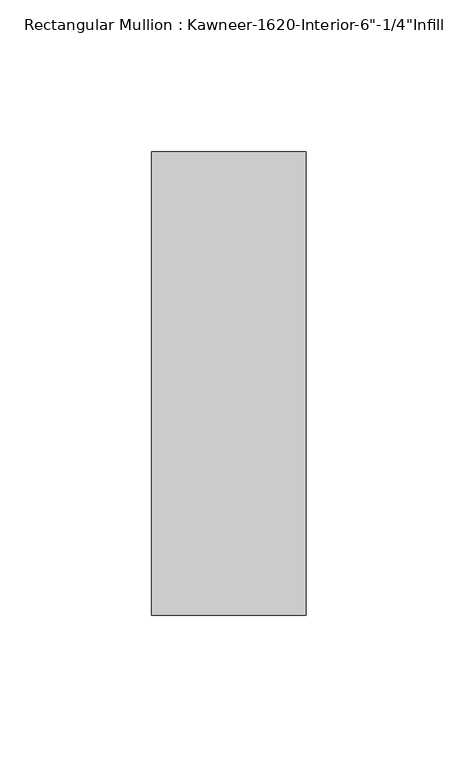
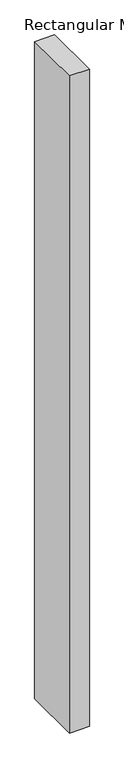
"""IFC4 building model written with IfcOpenShell, lengths in millimetres: member geometry."""

from ifc_helpers import new_model, si_unit, frame, origin, place, context, project, spatial, polyline, outline, extrude, source, transform, mapped, element, save


def member_70859db8(model_context):
    return source(origin(), model_context, "Body", "SweptSolid", [
        extrude(outline(polyline([(25.4, -123.825), (-25.4, -123.825), (-25.4, 28.575), (25.4, 28.575), (25.4, -123.825)])), frame((0.0, 0.0, -1765.3), z_axis=(0.0, 0.0, 1.0), x_axis=(1.0, 0.0, 0.0)), (0.0, 0.0, 1.0), 1765.3),
    ])


if __name__ == "__main__":
    model = new_model("IFC4")
    model_context = context("Model", 3, world=origin())
    ifc_project = project(units=[si_unit("LENGTHUNIT", "METRE", prefix="MILLI")], contexts=[model_context])
    site = spatial("IfcSite", under=ifc_project)
    building = spatial("IfcBuilding", under=site)
    placement = place(None, origin())
    member_shape = member_70859db8(model_context)
    element("IfcMember", 1, ObjectType="Rectangular Mullion : Kawneer-1620-Interior-6\"-1/4\"Infill", at=placement, inside=building, context=model_context, shape_type="MappedRepresentation", body=[
        mapped(member_shape, transform((0.0, 0.0, 0.0), x_axis=(1.0, 0.0, 0.0), y_axis=(0.0, 1.0, 0.0), z_axis=(0.0, 0.0, 1.0))),
    ])
    save(model, "model.ifc")
